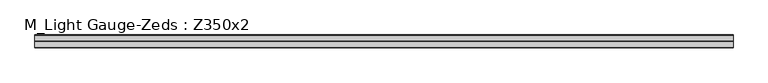
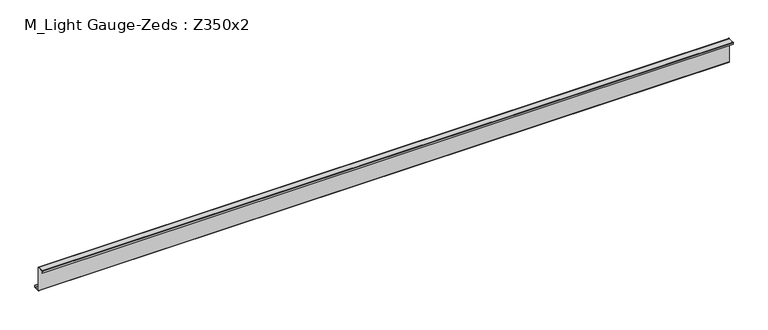
"""IFC4 building model written with IfcOpenShell, lengths in millimetres: beam geometry, M_Light Gauge-Zeds : Z350x2."""

from ifc_helpers import new_model, si_unit, point, frame, frame_2d, origin, place, context, project, spatial, polyline, circle_curve, trimmed, segment, composite_curve, outline, extrude, source, transform, mapped, element, save


def m_light_gauge_zeds_z350x2_21b5e232(model_context):
    return source(origin(), model_context, "Body", "SweptSolid", [
        extrude(outline(composite_curve([segment(polyline([(0.0, -171.0), (0.0, 171.0)]), True, "CONTINUOUS"), segment(trimmed(circle_curve(frame_2d((-2.0, 171.0)), 2.0), [point((0.0, 171.0))], [point((-2.0, 173.0))], True, "CARTESIAN"), True, "CONTINUOUS"), segment(polyline([(-2.0, 173.0), (-90.0, 173.0)]), True, "CONTINUOUS"), segment(trimmed(circle_curve(frame_2d((-90.0, 171.0)), 2.0), [point((-90.0, 173.0))], [point((-92.0, 171.0))], True, "CARTESIAN"), True, "CONTINUOUS"), segment(polyline([(-92.0, 171.0), (-92.0, 145.0), (-94.0, 145.0), (-94.0, 171.0)]), True, "CONTINUOUS"), segment(trimmed(circle_curve(frame_2d((-90.0, 171.0)), 4.0), [point((-94.0, 171.0))], [point((-90.0, 175.0))], False, "CARTESIAN"), True, "CONTINUOUS"), segment(polyline([(-90.0, 175.0), (-2.0, 175.0)]), True, "CONTINUOUS"), segment(trimmed(circle_curve(frame_2d((-2.0, 171.0)), 4.0), [point((-2.0, 175.0))], [point((2.0, 171.0))], False, "CARTESIAN"), True, "CONTINUOUS"), segment(polyline([(2.0, 171.0), (2.0, -171.0)]), True, "CONTINUOUS"), segment(trimmed(circle_curve(frame_2d((4.0, -171.0)), 2.0), [point((2.0, -171.0))], [point((4.0, -173.0))], True, "CARTESIAN"), True, "CONTINUOUS"), segment(polyline([(4.0, -173.0), (82.0, -173.0)]), True, "CONTINUOUS"), segment(trimmed(circle_curve(frame_2d((82.0, -171.0)), 2.0), [point((82.0, -173.0))], [point((84.0, -171.0))], True, "CARTESIAN"), True, "CONTINUOUS"), segment(polyline([(84.0, -171.0), (84.0, -145.0), (86.0, -145.0), (86.0, -171.0)]), True, "CONTINUOUS"), segment(trimmed(circle_curve(frame_2d((82.0, -171.0)), 4.0), [point((86.0, -171.0))], [point((82.0, -175.0))], False, "CARTESIAN"), True, "CONTINUOUS"), segment(polyline([(82.0, -175.0), (4.0, -175.0)]), True, "CONTINUOUS"), segment(trimmed(circle_curve(frame_2d((4.0, -171.0)), 4.0), [point((4.0, -175.0))], [point((0.0, -171.0))], False, "CARTESIAN"), True, "CONTINUOUS")], self_intersect=False)), frame((-4717.9567114, 0.0, 0.0), z_axis=(1.0, 0.0, 0.0), x_axis=(0.0, 1.0, 0.0)), (0.0, 0.0, 1.0), 9605.2567114),
    ])


if __name__ == "__main__":
    model = new_model("IFC4")
    model_context = context("Model", 3, world=origin())
    ifc_project = project(units=[si_unit("LENGTHUNIT", "METRE", prefix="MILLI")], contexts=[model_context])
    site = spatial("IfcSite", under=ifc_project)
    building = spatial("IfcBuilding", under=site)
    placement = place(None, origin())
    m_light_gauge_zeds_z350x2_shape = m_light_gauge_zeds_z350x2_21b5e232(model_context)
    element("IfcBeam", 1, ObjectType="M_Light Gauge-Zeds : Z350x2", at=placement, inside=building, context=model_context, shape_type="MappedRepresentation", body=[
        mapped(m_light_gauge_zeds_z350x2_shape, transform((0.0, 0.0, 0.0), x_axis=(1.0, 0.0, 0.0), y_axis=(0.0, 1.0, 0.0), z_axis=(0.0, 0.0, 1.0))),
    ])
    save(model, "model.ifc")
